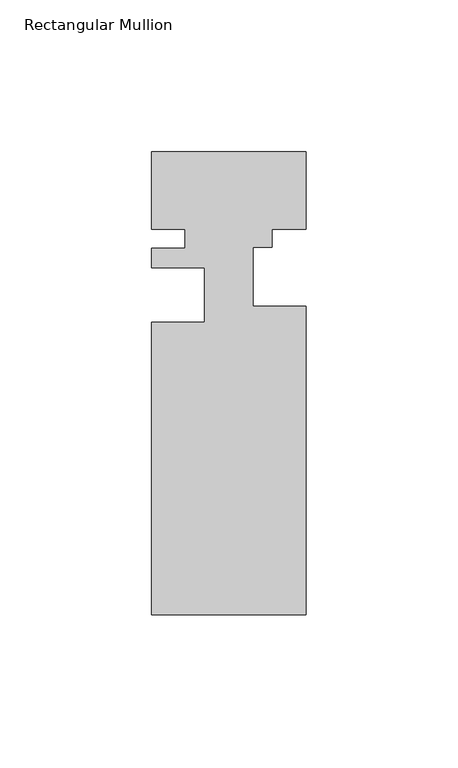
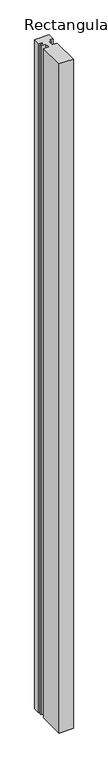
"""IFC4 building model written with IfcOpenShell, lengths in millimetres: member geometry, Rectangular Mullion."""

from ifc_helpers import new_model, si_unit, frame, origin, place, context, project, spatial, polyline, outline, extrude, source, transform, mapped, element, save


def rectangular_mullion_f8d9bc2a(model_context):
    return source(origin(), model_context, "Body", "SweptSolid", [
        extrude(outline(polyline([(25.4, -25.4), (14.3, -25.4), (14.3, -31.4046212), (7.9502, -31.4046212), (7.9502, -50.8), (25.4, -50.8), (25.4, -152.4), (-25.4, -152.4), (-25.4, -56.1605546), (-7.9501389, -56.1605546), (-7.9501389, -38.1118077), (-25.4, -38.1118077), (-25.4, -31.75), (-14.398625, -31.75), (-14.398625, -25.4), (-25.4, -25.4), (-25.4, 0.0), (25.4, 0.0), (25.4, -25.4)])), frame((0.0, 0.0, -2540.0), z_axis=(0.0, 0.0, 1.0), x_axis=(1.0, 0.0, 0.0)), (0.0, 0.0, 1.0), 2540.0),
    ])


if __name__ == "__main__":
    model = new_model("IFC4")
    model_context = context("Model", 3, world=origin())
    ifc_project = project(units=[si_unit("LENGTHUNIT", "METRE", prefix="MILLI")], contexts=[model_context])
    site = spatial("IfcSite", under=ifc_project)
    building = spatial("IfcBuilding", under=site)
    placement = place(None, origin())
    rectangular_mullion_shape = rectangular_mullion_f8d9bc2a(model_context)
    element("IfcMember", 1, ObjectType="Rectangular Mullion", at=placement, inside=building, context=model_context, shape_type="MappedRepresentation", body=[
        mapped(rectangular_mullion_shape, transform((0.0, 0.0, 0.0), x_axis=(1.0, 0.0, 0.0), y_axis=(0.0, 1.0, 0.0), z_axis=(0.0, 0.0, 1.0))),
    ])
    save(model, "model.ifc")
